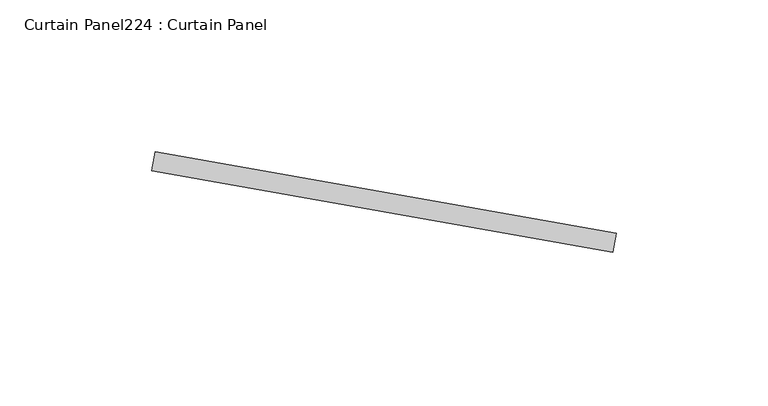
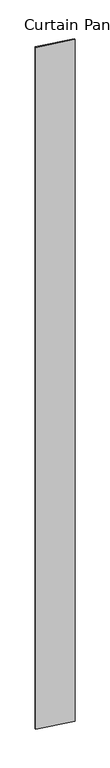
"""IFC4 building model written with IfcOpenShell, lengths in millimetres: plate geometry, Curtain Panel224 : Curtain Panel."""

import ifcopenshell
import ifcopenshell.guid

model = None  # the IFC model being written
_history = None  # IfcOwnerHistory: only IFC2X3 demands one
_inside = {}  # id of a spatial element -> (the spatial element, [elements in it])
_under = {}  # id of a project, library or spatial element -> (it, [spatial elements below it])
_declared = {}  # id of a project -> (the project, [libraries it declares])
_typed = {}  # id of a type object -> (the type object, [elements of that type])
_made_of = {}  # id of a material, layer set ... -> (it, [elements and type objects made of it])


def new_model(schema):
    """Start an empty IFC model of exactly this schema.

    Asked for "IFC4X3", IfcOpenShell would pick the latest addendum, in which some entities
    have other attributes; the version numbers below select the first issue.
    IFC2X3 requires an IfcOwnerHistory on every rooted entity: one is made here for all.
    """
    global model, _history
    if schema == "IFC4X3":
        model = ifcopenshell.file(schema_version=(4, 3, 0, 0))
    else:
        model = ifcopenshell.file(schema=schema)
    _inside.clear()
    _under.clear()
    _declared.clear()
    _typed.clear()
    _made_of.clear()
    _history = None
    if model.schema == "IFC2X3":
        org = make("IfcOrganization", Name="unknown")
        user = make(
            "IfcPersonAndOrganization",
            ThePerson=make("IfcPerson", FamilyName="unknown"),
            TheOrganization=org,
        )
        app = make(
            "IfcApplication",
            ApplicationDeveloper=org,
            Version="unknown",
            ApplicationFullName="unknown",
            ApplicationIdentifier="unknown",
        )
        _history = make(
            "IfcOwnerHistory",
            OwningUser=user,
            OwningApplication=app,
            ChangeAction="ADDED",
            CreationDate=0,
        )
    return model


def make(cls, **values):
    """One entity of the class cls with the attributes given. An attribute that is None is left unset."""
    return model.create_entity(
        cls, **{name: value for name, value in values.items() if value is not None}
    )


def rooted(cls, **values):
    """An entity with a GlobalId (a new one), such as an element, a storey or a relation."""
    return make(cls, GlobalId=ifcopenshell.guid.new(), OwnerHistory=_history, **values)


def si_unit(unit_type, name, prefix=None):
    """IfcSIUnit, for example si_unit("LENGTHUNIT", "METRE", prefix="MILLI")."""
    return make("IfcSIUnit", UnitType=unit_type, Prefix=prefix, Name=name)


def assignment(units):
    """IfcUnitAssignment: the units of a project."""
    return None if units is None else make("IfcUnitAssignment", Units=units)


def point(xyz):
    """IfcCartesianPoint."""
    return None if xyz is None else make("IfcCartesianPoint", Coordinates=xyz)


def direction(xyz):
    """IfcDirection."""
    return None if xyz is None else make("IfcDirection", DirectionRatios=xyz)


def frame(location, z_axis=None, x_axis=None):
    """IfcAxis2Placement3D, a coordinate frame: its origin and axes. An axis left out is left unset."""
    return make(
        "IfcAxis2Placement3D",
        Location=point(location),
        Axis=direction(z_axis),
        RefDirection=direction(x_axis),
    )


def origin():
    """The frame at (0, 0, 0) with its axes left unset."""
    return frame((0.0, 0.0, 0.0))


def place(relative_to, where):
    """IfcLocalPlacement: puts the frame where relative to a parent placement (None: the world)."""
    return make(
        "IfcLocalPlacement", PlacementRelTo=relative_to, RelativePlacement=where
    )


def context(
    kind, dimensions, precision=None, world=None, true_north=None, identifier=None
):
    """IfcGeometricRepresentationContext, for example the 3D "Model" context."""
    return make(
        "IfcGeometricRepresentationContext",
        ContextIdentifier=identifier,
        ContextType=kind,
        CoordinateSpaceDimension=dimensions,
        Precision=precision,
        WorldCoordinateSystem=world,
        TrueNorth=true_north,
    )


def project(units=None, contexts=None):
    """IfcProject with its units and contexts."""
    return rooted(
        "IfcProject",
        Name="project",
        RepresentationContexts=contexts,
        UnitsInContext=assignment(units),
    )


def spatial(cls, under=None, at=None, **own):
    """A site, building, storey or space (cls), placed at a placement, below another one or the project."""
    s = rooted(cls, ObjectPlacement=at, **own)
    if under is not None:
        _under.setdefault(under.id(), (under, []))[1].append(s)
    return s


def polyline(points):
    """IfcPolyline through the points."""
    return make("IfcPolyline", Points=[point(p) for p in points])


def outline(outer, holes=None, kind="AREA"):
    """IfcArbitraryClosedProfileDef: a profile drawn as a closed curve; with holes, ...WithVoids."""
    if holes is None:
        return make("IfcArbitraryClosedProfileDef", ProfileType=kind, OuterCurve=outer)
    return make(
        "IfcArbitraryProfileDefWithVoids",
        ProfileType=kind,
        OuterCurve=outer,
        InnerCurves=holes,
    )


def extrude(swept, where, along, depth):
    """IfcExtrudedAreaSolid: the profile swept, set in the frame where, extruded along a direction by depth."""
    return make(
        "IfcExtrudedAreaSolid",
        SweptArea=swept,
        Position=where,
        ExtrudedDirection=direction(along),
        Depth=depth,
    )


def shape(context_of_items, identifier, shape_type, items):
    """IfcShapeRepresentation: the items that make up one representation, for example the "Body"."""
    return make(
        "IfcShapeRepresentation",
        ContextOfItems=context_of_items,
        RepresentationIdentifier=identifier,
        RepresentationType=shape_type,
        Items=items,
    )


def source(mapping_origin, context_of_items, identifier, shape_type, items):
    """IfcRepresentationMap: a shape defined once, which mapped items show again and again."""
    return make(
        "IfcRepresentationMap",
        MappingOrigin=mapping_origin,
        MappedRepresentation=shape(context_of_items, identifier, shape_type, items),
    )


def transform(
    local_origin,
    x_axis=None,
    y_axis=None,
    z_axis=None,
    scale=None,
    scale2=None,
    scale3=None,
    uniform=True,
):
    """IfcCartesianTransformationOperator3D, or its non-uniform kind. x_axis, y_axis, z_axis: its Axis1, 2, 3."""
    if uniform:
        return make(
            "IfcCartesianTransformationOperator3D",
            Axis1=direction(x_axis),
            Axis2=direction(y_axis),
            LocalOrigin=point(local_origin),
            Scale=scale,
            Axis3=direction(z_axis),
        )
    return make(
        "IfcCartesianTransformationOperator3DnonUniform",
        Axis1=direction(x_axis),
        Axis2=direction(y_axis),
        LocalOrigin=point(local_origin),
        Scale=scale,
        Axis3=direction(z_axis),
        Scale2=scale2,
        Scale3=scale3,
    )


def mapped(mapping_source, mapping_target):
    """IfcMappedItem: shows the shape of a source again, moved by a transform."""
    return make(
        "IfcMappedItem", MappingSource=mapping_source, MappingTarget=mapping_target
    )


def made_of(thing, what):
    """Note that an element or type object is made of a material, layer set ...; save() writes the relation."""
    if what is not None:
        _made_of.setdefault(what.id(), (what, []))[1].append(thing)
    return thing


def element(
    cls,
    number,
    at=None,
    inside=None,
    cuts=None,
    type_object=None,
    material=None,
    context=None,
    identifier="Body",
    shape_type=None,
    held_by="IfcProductDefinitionShape",
    body=None,
    shapes=None,
    **own,
):
    """One element of the class cls, such as IfcWall. Its Tag is "e" and its number.

    at: its placement. inside: the storey or other place that contains it. cuts: it is an
    opening in that element (IfcRelVoidsElement). A single representation is given by context,
    identifier, shape_type and body (its items); several are given by shapes. held_by: the class
    of the entity that holds the representations. save() writes the other relations.
    """
    e = rooted(cls, Tag="e%d" % number, ObjectPlacement=at, **own)
    if body is not None:
        shapes = [shape(context, identifier, shape_type, body)]
    if shapes is not None:
        e.Representation = make(held_by, Representations=shapes)
    if inside is not None:
        _inside.setdefault(inside.id(), (inside, []))[1].append(e)
    if cuts is not None:
        rooted(
            "IfcRelVoidsElement", RelatingBuildingElement=cuts, RelatedOpeningElement=e
        )
    if type_object is not None:
        _typed.setdefault(type_object.id(), (type_object, []))[1].append(e)
    return made_of(e, material)


def aggregate(whole, parts):
    """IfcRelAggregates: a whole, such as a stair, and the parts it consists of."""
    return rooted("IfcRelAggregates", RelatingObject=whole, RelatedObjects=parts)


def save(model, path):
    """Write the relations noted so far, then the file.

    IfcRelAggregates (storeys below a building ...), IfcRelContainedInSpatialStructure (elements
    in a storey), IfcRelDefinesByType, IfcRelAssociatesMaterial and IfcRelDeclares: one each for
    every whole, place, type object, material and project.
    """
    for whole, parts in _under.values():
        aggregate(whole, parts)
    for where, things in _inside.values():
        rooted(
            "IfcRelContainedInSpatialStructure",
            RelatedElements=things,
            RelatingStructure=where,
        )
    for kind, things in _typed.values():
        rooted("IfcRelDefinesByType", RelatedObjects=things, RelatingType=kind)
    for what, things in _made_of.values():
        rooted("IfcRelAssociatesMaterial", RelatedObjects=things, RelatingMaterial=what)
    for by, libraries in _declared.values():
        rooted("IfcRelDeclares", RelatingContext=by, RelatedDefinitions=libraries)
    model.write(path)


def curtain_panel224_curtain_panel_6e5217a1(model_context):
    return source(origin(), model_context, "Body", "SweptSolid", [
        extrude(outline(polyline([(631244.7778929, 2333.1576256), (631396.3846931, 2306.4252562), (631395.2820272, 2300.171727), (631243.675227, 2326.9040963), (631244.7778929, 2333.1576256)])), frame((0.0, 0.0, 4959.7989371), z_axis=(0.0, 0.0, 1.0), x_axis=(1.0, 0.0, 0.0)), (0.0, 0.0, 1.0), 3048.0),
    ])


if __name__ == "__main__":
    model = new_model("IFC4")
    model_context = context("Model", 3, world=origin())
    ifc_project = project(units=[si_unit("LENGTHUNIT", "METRE", prefix="MILLI")], contexts=[model_context])
    site = spatial("IfcSite", under=ifc_project)
    building = spatial("IfcBuilding", under=site)
    placement = place(None, origin())
    curtain_panel224_curtain_panel_shape = curtain_panel224_curtain_panel_6e5217a1(model_context)
    element("IfcPlate", 1, ObjectType="Curtain Panel224 : Curtain Panel", at=placement, inside=building, context=model_context, shape_type="MappedRepresentation", body=[
        mapped(curtain_panel224_curtain_panel_shape, transform((0.0, 0.0, 0.0), x_axis=(1.0, 0.0, 0.0), y_axis=(0.0, 1.0, 0.0), z_axis=(0.0, 0.0, 1.0))),
    ])
    save(model, "model.ifc")
